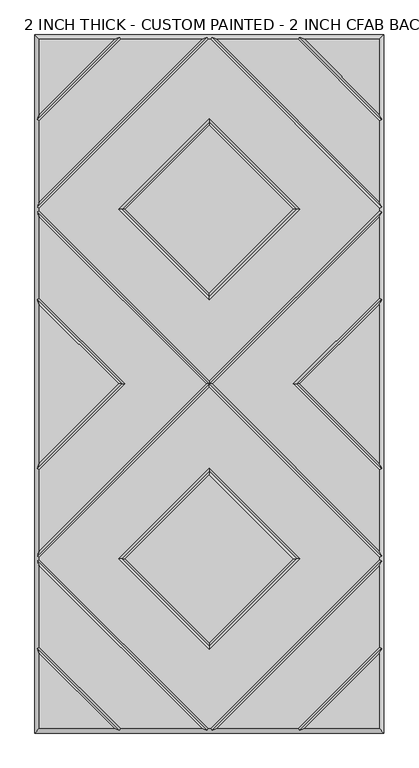
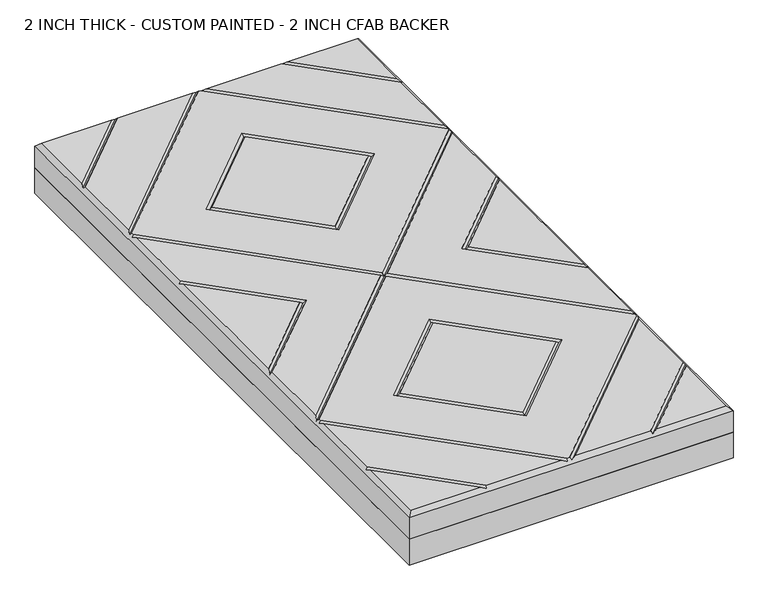
"""IFC4 building model written with IfcOpenShell, lengths in millimetres: proxy geometry, 2 INCH THICK - CUSTOM PAINTED - 2 INCH CFAB BACKER."""

from ifc_helpers import new_model, si_unit, frame, origin, place, context, project, spatial, polyline, outline, extrude, faceted_brep, source, transform, mapped, element, save


def proxy_2_inch_thick_custom_painted_2_inch_cfab_backer_3e2bdb6d(model_context):
    return source(origin(), model_context, "Body", "SolidModel", [
        extrude(outline(polyline([(-304.8, 609.6), (304.8, 609.6), (304.8, -609.6), (-304.8, -609.6), (-304.8, 609.6)])), frame((0.0, 0.0, -50.8), z_axis=(0.0, 0.0, 1.0), x_axis=(1.0, 0.0, 0.0)), (0.0, 0.0, 1.0), 50.8),
        faceted_brep([(296.799, 470.8590948, 50.8), (296.799, 601.599, 50.8), (166.0590948, 601.599, 50.8), (-166.0590948, 601.599, 50.8), (-296.799, 601.599, 50.8), (-296.799, 470.8590948, 50.8), (2.3434141, 601.599, 50.8), (-2.343464, 601.599, 50.8), (-296.799, 307.143464, 50.8), (-296.799, 302.4565868, 50.8), (0.0, 5.6575868, 50.8), (296.799, 302.4565868, 50.8), (296.799, 307.1434632, 50.8), (158.0575614, 304.8000254, 50.8), (0.0, 146.742464, 50.8), (-158.0575614, 304.8000254, 50.8), (0.0, 462.8575868, 50.8), (166.0590079, -601.599, 50.8), (296.799, -601.599, 50.8), (296.799, -470.8585721, 50.8), (-296.799, -601.599, 50.8), (-166.0590079, -601.599, 50.8), (-296.799, -470.8585721, 50.8), (-154.743972, 601.599, 50.8), (-296.799, 459.543972, 50.8), (-296.799, 318.4585868, 50.8), (-13.6585868, 601.599, 50.8), (-2.3434382, -601.599, 50.8), (2.3434382, -601.599, 50.8), (296.799, -307.1434137, 50.8), (296.799, -302.456536, 50.8), (0.0, -5.657536, 50.8), (-296.799, -302.456536, 50.8), (-296.799, -307.1434137, 50.8), (-158.0575614, -304.7999746, 50.8), (0.0, -146.7424132, 50.8), (158.0575614, -304.7999746, 50.8), (0.0, -462.857536, 50.8), (13.6585378, 601.599, 50.8), (296.799, 318.458585, 50.8), (296.799, 459.543972, 50.8), (154.743972, 601.599, 50.8), (296.799, -318.4585369, 50.8), (13.6585605, -601.599, 50.8), (154.743904, -601.599, 50.8), (296.799, -459.5434305, 50.8), (-13.6585605, -601.599, 50.8), (-296.799, -318.4585369, 50.8), (-296.799, -459.5434305, 50.8), (-154.743904, -601.599, 50.8), (0.0, 158.0575868, 50.8), (146.7424386, 304.8000254, 50.8), (0.0, 451.542464, 50.8), (-146.7424386, 304.8000254, 50.8), (-296.799, 291.141464, 50.8), (-296.799, 150.0565868, 50.8), (-146.7424386, 2.54e-05, 50.8), (-296.799, -150.056536, 50.8), (-296.799, -291.1414132, 50.8), (-5.6575614, 2.54e-05, 50.8), (-296.799, 138.741464, 50.8), (-296.799, -138.7414132, 50.8), (-158.0575614, 2.54e-05, 50.8), (5.6575614, 2.54e-05, 50.8), (296.799, -291.1414132, 50.8), (296.799, -150.056536, 50.8), (146.7424386, 2.54e-05, 50.8), (296.799, 150.0565868, 50.8), (296.799, 291.141464, 50.8), (296.799, -138.7414132, 50.8), (296.799, 138.741464, 50.8), (158.0575614, 2.54e-05, 50.8), (0.0, -158.057536, 50.8), (-146.7424386, -304.7999746, 50.8), (0.0, -451.5424132, 50.8), (146.7424386, -304.7999746, 50.8), (-304.8, 609.6, 0.0), (304.8, 609.6, 0.0), (304.8, -609.6, 0.0), (-304.8, -609.6, 0.0), (-304.8, -609.6, 42.799), (-304.8, 609.6, 42.799), (304.8, -609.6, 42.799), (304.8, 609.6, 42.799), (-156.4010334, 605.5995, 46.7995), (-4.0005254, 605.5995, 46.7995), (4.0004753, 605.5995, 46.7995), (156.4010334, 605.5995, 46.7995), (-300.7995, -461.2004879, 46.7995), (-300.7995, -308.8004749, 46.7995), (-300.7995, -300.7994746, 46.7995), (-300.7995, -148.3994746, 46.7995), (-300.7995, 148.3995254, 46.7995), (-300.7995, 300.7995254, 46.7995), (-300.7995, 308.8005254, 46.7995), (-300.7995, 461.2010334, 46.7995), (156.4009693, -605.5995, 46.7995), (4.0004997, -605.5995, 46.7995), (-4.0004997, -605.5995, 46.7995), (-156.4009693, -605.5995, 46.7995), (300.7995, 461.2010334, 46.7995), (300.7995, 308.8005247, 46.7995), (300.7995, 300.7995254, 46.7995), (300.7995, 148.3995254, 46.7995), (300.7995, -148.3994746, 46.7995), (300.7995, -300.7994746, 46.7995), (300.7995, -308.8004749, 46.7995), (300.7995, -461.2004879, 46.7995), (0.0, 2.54e-05, 46.7995), (152.4, 304.8000254, 46.7995), (0.0, 152.4000254, 46.7995), (-152.4, 304.8000254, 46.7995), (0.0, 457.2000254, 46.7995), (-152.4, 2.54e-05, 46.7995), (152.4, 2.54e-05, 46.7995), (0.0, -152.3999746, 46.7995), (-152.4, -304.7999746, 46.7995), (0.0, -457.1999746, 46.7995), (152.4, -304.7999746, 46.7995)], [[[0, 1, 2]], [[3, 4, 5]], [[6, 7, 8, 9, 10, 11, 12], [13, 14, 15, 16]], [[17, 18, 19]], [[20, 21, 22]], [[23, 24, 25, 26]], [[27, 28, 29, 30, 31, 32, 33], [34, 35, 36, 37]], [[38, 39, 40, 41]], [[42, 43, 44, 45]], [[46, 47, 48, 49]], [[50, 51, 52, 53]], [[54, 55, 56, 57, 58, 59]], [[60, 61, 62]], [[63, 64, 65, 66, 67, 68]], [[69, 70, 71]], [[72, 73, 74, 75]], [[76, 77, 78, 79]], [[76, 79, 80, 81]], [[79, 78, 82, 80]], [[78, 77, 83, 82]], [[77, 76, 81, 83]], [[81, 4, 3, 84, 23, 26, 85, 7, 6, 86, 38, 41, 87, 2, 1, 83]], [[4, 81, 80, 20, 22, 88, 48, 47, 89, 33, 32, 90, 58, 57, 91, 61, 60, 92, 55, 54, 93, 9, 8, 94, 25, 24, 95, 5]], [[20, 80, 82, 18, 17, 96, 44, 43, 97, 28, 27, 98, 46, 49, 99, 21]], [[83, 1, 0, 100, 40, 39, 101, 12, 11, 102, 68, 67, 103, 70, 69, 104, 65, 64, 105, 30, 29, 106, 42, 45, 107, 19, 18, 82]], [[84, 95, 24, 23]], [[95, 84, 3, 5]], [[101, 86, 6, 12]], [[86, 101, 39, 38]], [[85, 94, 8, 7]], [[94, 85, 26, 25]], [[9, 93, 108, 10]], [[105, 64, 63, 108]], [[93, 54, 59, 108]], [[30, 105, 108, 31]], [[106, 97, 43, 42]], [[97, 106, 29, 28]], [[98, 89, 47, 46]], [[89, 98, 27, 33]], [[109, 110, 14, 13]], [[110, 109, 51, 50]], [[14, 110, 111, 15]], [[110, 50, 53, 111]], [[15, 111, 112, 16]], [[111, 53, 52, 112]], [[109, 13, 16, 112]], [[51, 109, 112, 52]], [[87, 100, 0, 2]], [[100, 87, 41, 40]], [[113, 56, 55, 92]], [[62, 113, 92, 60]], [[56, 113, 91, 57]], [[113, 62, 61, 91]], [[90, 108, 59, 58]], [[108, 102, 11, 10]], [[108, 90, 32, 31]], [[102, 108, 63, 68]], [[114, 71, 70, 103]], [[66, 114, 103, 67]], [[71, 114, 104, 69]], [[114, 66, 65, 104]], [[115, 116, 73, 72]], [[116, 115, 35, 34]], [[73, 116, 117, 74]], [[116, 34, 37, 117]], [[74, 117, 118, 75]], [[117, 37, 36, 118]], [[115, 72, 75, 118]], [[35, 115, 118, 36]], [[88, 99, 49, 48]], [[99, 88, 22, 21]], [[107, 96, 17, 19]], [[96, 107, 45, 44]]]),
    ])


if __name__ == "__main__":
    model = new_model("IFC4")
    model_context = context("Model", 3, world=origin())
    ifc_project = project(units=[si_unit("LENGTHUNIT", "METRE", prefix="MILLI")], contexts=[model_context])
    site = spatial("IfcSite", under=ifc_project)
    building = spatial("IfcBuilding", under=site)
    placement = place(None, origin())
    proxy_2_inch_thick_custom_painted_2_inch_cfab_backer_shape = proxy_2_inch_thick_custom_painted_2_inch_cfab_backer_3e2bdb6d(model_context)
    element("IfcBuildingElementProxy", 1, Name="2 INCH THICK - CUSTOM PAINTED - 2 INCH CFAB BACKER", ObjectType="2 INCH THICK - CUSTOM PAINTED - 2 INCH CFAB BACKER", at=placement, inside=building, context=model_context, shape_type="MappedRepresentation", body=[
        mapped(proxy_2_inch_thick_custom_painted_2_inch_cfab_backer_shape, transform((0.0, 0.0, 0.0), x_axis=(1.0, 0.0, 0.0), y_axis=(0.0, 1.0, 0.0), z_axis=(0.0, 0.0, 1.0))),
    ])
    save(model, "model.ifc")
